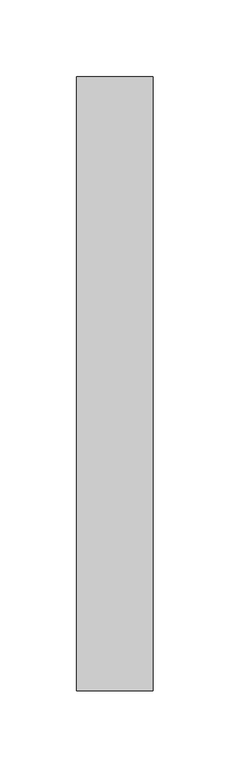
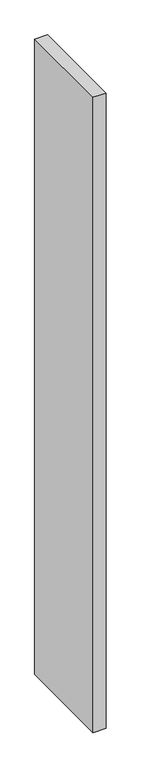
"""IFC4 building model written with IfcOpenShell, lengths in millimetres: proxy geometry."""

from ifc_helpers import new_model, si_unit, origin, origin_with_axes, place, context, project, spatial, polyline, outline, extrude, source, transform, mapped, element, save


def generic_models_b3c69ae9(model_context):
    return source(origin(), model_context, "Body", "SweptSolid", [
        extrude(outline(polyline([(0.0, 400.0), (50.0, 400.0), (50.0, 0.0), (0.0, 0.0), (0.0, 400.0)])), origin_with_axes(), (0.0, 0.0, 1.0), 2650.0),
    ])


if __name__ == "__main__":
    model = new_model("IFC4")
    model_context = context("Model", 3, world=origin())
    ifc_project = project(units=[si_unit("LENGTHUNIT", "METRE", prefix="MILLI")], contexts=[model_context])
    site = spatial("IfcSite", under=ifc_project)
    building = spatial("IfcBuilding", under=site)
    placement = place(None, origin())
    generic_models_shape = generic_models_b3c69ae9(model_context)
    element("IfcBuildingElementProxy", 1, Name="Generic Models", at=placement, inside=building, context=model_context, shape_type="MappedRepresentation", body=[
        mapped(generic_models_shape, transform((0.0, 0.0, 0.0), x_axis=(1.0, 0.0, 0.0), y_axis=(0.0, 1.0, 0.0), z_axis=(0.0, 0.0, 1.0))),
    ])
    save(model, "model.ifc")
